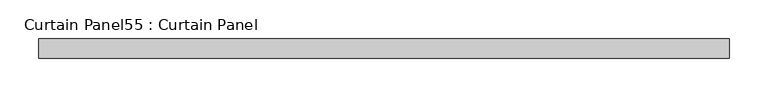
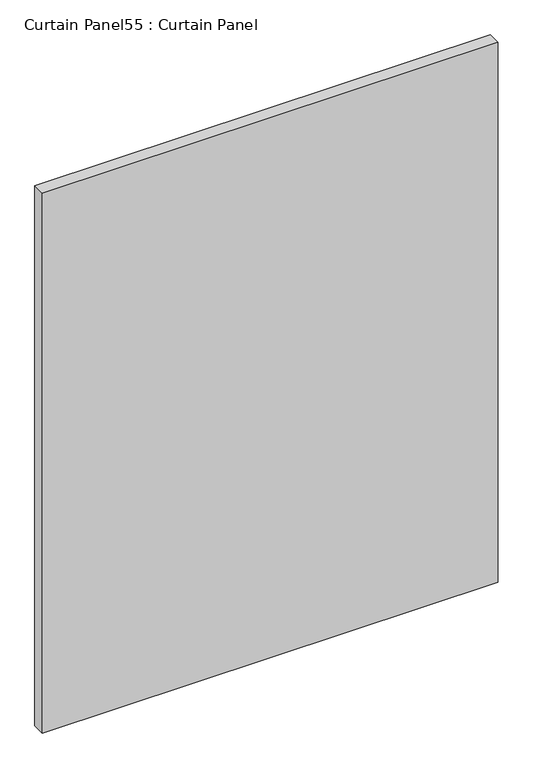
"""IFC4 building model written with IfcOpenShell, lengths in millimetres: plate geometry, Curtain Panel55 : Curtain Panel."""

from ifc_helpers import new_model, si_unit, frame, origin, place, context, project, spatial, polyline, outline, extrude, source, transform, mapped, element, save


def curtain_panel55_curtain_panel_30dc8235(model_context):
    return source(origin(), model_context, "Body", "SweptSolid", [
        extrude(outline(polyline([(-40075.7811382, -3859.9631042), (-40971.1309118, -3859.9631042), (-40971.1309118, -3834.5631042), (-40075.7811382, -3834.5631042), (-40075.7811382, -3859.9631042)])), frame((0.0, 0.0, 57.2626173), z_axis=(0.0, 0.0, 1.0), x_axis=(1.0, 0.0, 0.0)), (0.0, 0.0, 1.0), 1120.6187264),
    ])


if __name__ == "__main__":
    model = new_model("IFC4")
    model_context = context("Model", 3, world=origin())
    ifc_project = project(units=[si_unit("LENGTHUNIT", "METRE", prefix="MILLI")], contexts=[model_context])
    site = spatial("IfcSite", under=ifc_project)
    building = spatial("IfcBuilding", under=site)
    placement = place(None, origin())
    curtain_panel55_curtain_panel_shape = curtain_panel55_curtain_panel_30dc8235(model_context)
    element("IfcPlate", 1, ObjectType="Curtain Panel55 : Curtain Panel", at=placement, inside=building, context=model_context, shape_type="MappedRepresentation", body=[
        mapped(curtain_panel55_curtain_panel_shape, transform((0.0, 0.0, 0.0), x_axis=(1.0, 0.0, 0.0), y_axis=(0.0, 1.0, 0.0), z_axis=(0.0, 0.0, 1.0))),
    ])
    save(model, "model.ifc")
